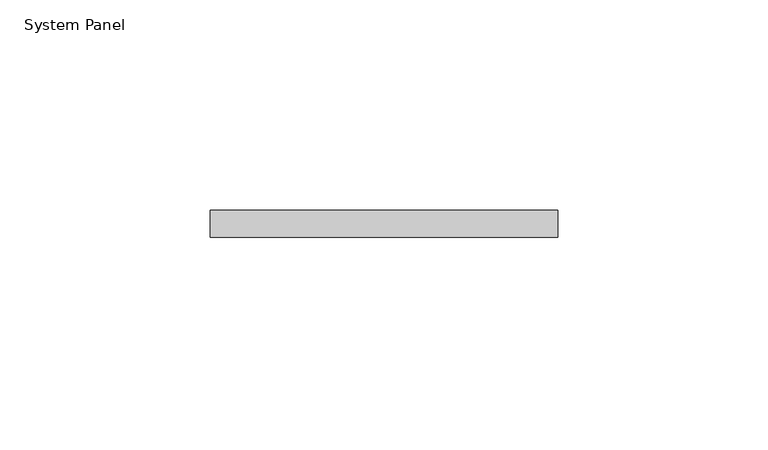
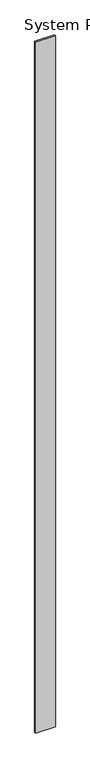
"""IFC4 building model written with IfcOpenShell, lengths in millimetres: plate geometry, System Panel."""

from ifc_helpers import new_model, si_unit, origin, origin_with_axes, place, context, project, spatial, polyline, outline, extrude, source, transform, mapped, element, save


def system_panel_6d1ef631(model_context):
    return source(origin(), model_context, "Body", "SweptSolid", [
        extrude(outline(polyline([(41.275, 0.0), (-41.275, 0.0), (-41.275, 6.35), (41.275, 6.35), (41.275, 0.0)])), origin_with_axes(), (0.0, 0.0, 1.0), 3048.0),
    ])


if __name__ == "__main__":
    model = new_model("IFC4")
    model_context = context("Model", 3, world=origin())
    ifc_project = project(units=[si_unit("LENGTHUNIT", "METRE", prefix="MILLI")], contexts=[model_context])
    site = spatial("IfcSite", under=ifc_project)
    building = spatial("IfcBuilding", under=site)
    placement = place(None, origin())
    system_panel_shape = system_panel_6d1ef631(model_context)
    element("IfcPlate", 1, ObjectType="System Panel", at=placement, inside=building, context=model_context, shape_type="MappedRepresentation", body=[
        mapped(system_panel_shape, transform((0.0, 0.0, 0.0), x_axis=(1.0, 0.0, 0.0), y_axis=(0.0, 1.0, 0.0), z_axis=(0.0, 0.0, 1.0))),
    ])
    save(model, "model.ifc")
